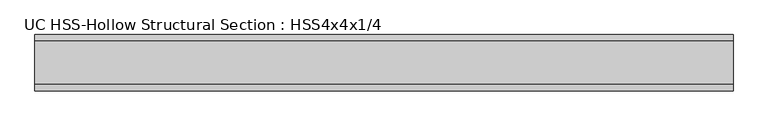
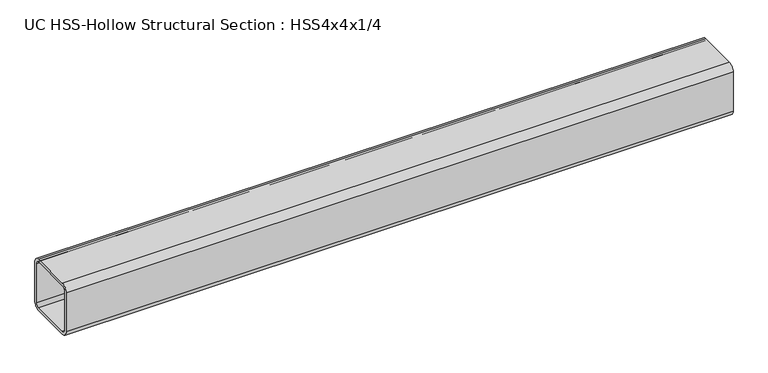
"""IFC4 building model written with IfcOpenShell, lengths in millimetres: beam geometry, UC HSS-Hollow Structural Section : HSS4x4x1/4."""

from ifc_helpers import new_model, si_unit, point, frame, frame_2d, origin, place, context, project, spatial, polyline, circle_curve, trimmed, segment, composite_curve, outline, extrude, source, transform, mapped, element, save


def uc_hss_hollow_structural_section_hss4x4x1_4_defe196c(model_context):
    return source(origin(), model_context, "Body", "SweptSolid", [
        extrude(outline(composite_curve([segment(trimmed(circle_curve(frame_2d((-38.9636, 38.9636)), 11.8364), [point((-50.8, 38.9636))], [point((-38.9636, 50.8))], False, "CARTESIAN"), True, "CONTINUOUS"), segment(polyline([(-38.9636, 50.8), (38.9636, 50.8)]), True, "CONTINUOUS"), segment(trimmed(circle_curve(frame_2d((38.9636, 38.9636)), 11.8364), [point((38.9636, 50.8))], [point((50.8, 38.9636))], False, "CARTESIAN"), True, "CONTINUOUS"), segment(polyline([(50.8, 38.9636), (50.8, -38.9636)]), True, "CONTINUOUS"), segment(trimmed(circle_curve(frame_2d((38.9636, -38.9636)), 11.8364), [point((50.8, -38.9636))], [point((38.9636, -50.8))], False, "CARTESIAN"), True, "CONTINUOUS"), segment(polyline([(38.9636, -50.8), (-38.9636, -50.8)]), True, "CONTINUOUS"), segment(trimmed(circle_curve(frame_2d((-38.9636, -38.9636)), 11.8364), [point((-38.9636, -50.8))], [point((-50.8, -38.9636))], False, "CARTESIAN"), True, "CONTINUOUS"), segment(polyline([(-50.8, -38.9636), (-50.8, 38.9636)]), True, "CONTINUOUS")], self_intersect=False), holes=[composite_curve([segment(polyline([(38.9636, 44.8818), (-38.9636, 44.8818)]), True, "CONTINUOUS"), segment(trimmed(circle_curve(frame_2d((-38.9636, 38.9636)), 5.9182), [point((-38.9636, 44.8818))], [point((-44.8818, 38.9636))], True, "CARTESIAN"), True, "CONTINUOUS"), segment(polyline([(-44.8818, 38.9636), (-44.8818, -38.9636)]), True, "CONTINUOUS"), segment(trimmed(circle_curve(frame_2d((-38.9636, -38.9636)), 5.9182), [point((-44.8818, -38.9636))], [point((-38.9636, -44.8818))], True, "CARTESIAN"), True, "CONTINUOUS"), segment(polyline([(-38.9636, -44.8818), (38.9636, -44.8818)]), True, "CONTINUOUS"), segment(trimmed(circle_curve(frame_2d((38.9636, -38.9636)), 5.9182), [point((38.9636, -44.8818))], [point((44.8818, -38.9636))], True, "CARTESIAN"), True, "CONTINUOUS"), segment(polyline([(44.8818, -38.9636), (44.8818, 38.9636)]), True, "CONTINUOUS"), segment(trimmed(circle_curve(frame_2d((38.9636, 38.9636)), 5.9182), [point((44.8818, 38.9636))], [point((38.9636, 44.8818))], True, "CARTESIAN"), True, "CONTINUOUS")], self_intersect=False)]), frame((-518.0709173, 0.0, 0.0), z_axis=(1.0, 0.0, 0.0), x_axis=(0.0, 1.0, 0.0)), (0.0, 0.0, 1.0), 1254.1708942),
    ])


if __name__ == "__main__":
    model = new_model("IFC4")
    model_context = context("Model", 3, world=origin())
    ifc_project = project(units=[si_unit("LENGTHUNIT", "METRE", prefix="MILLI")], contexts=[model_context])
    site = spatial("IfcSite", under=ifc_project)
    building = spatial("IfcBuilding", under=site)
    placement = place(None, origin())
    uc_hss_hollow_structural_section_hss4x4x1_4_shape = uc_hss_hollow_structural_section_hss4x4x1_4_defe196c(model_context)
    element("IfcBeam", 1, ObjectType="UC HSS-Hollow Structural Section : HSS4x4x1/4", at=placement, inside=building, context=model_context, shape_type="MappedRepresentation", body=[
        mapped(uc_hss_hollow_structural_section_hss4x4x1_4_shape, transform((0.0, 0.0, 0.0), x_axis=(1.0, 0.0, 0.0), y_axis=(0.0, 1.0, 0.0), z_axis=(0.0, 0.0, 1.0))),
    ])
    save(model, "model.ifc")
